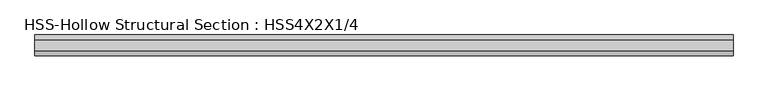
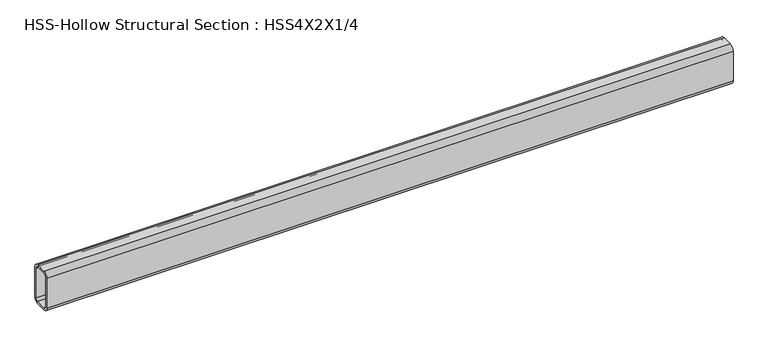
"""IFC4 building model written with IfcOpenShell, lengths in millimetres: beam geometry, HSS-Hollow Structural Section : HSS4X2X1/4."""

from ifc_helpers import new_model, si_unit, point, frame, frame_2d, origin, place, context, project, spatial, polyline, circle_curve, trimmed, segment, composite_curve, outline, extrude, source, transform, mapped, element, save


def hss_hollow_structural_section_hss4x2x1_4_a2298e92(model_context):
    return source(origin(), model_context, "Body", "SweptSolid", [
        extrude(outline(composite_curve([segment(polyline([(25.4, 38.9636), (25.4, -38.9636)]), True, "CONTINUOUS"), segment(trimmed(circle_curve(frame_2d((13.5636, -38.9636)), 11.8364), [point((25.4, -38.9636))], [point((13.5636, -50.8))], False, "CARTESIAN"), True, "CONTINUOUS"), segment(polyline([(13.5636, -50.8), (-13.5636, -50.8)]), True, "CONTINUOUS"), segment(trimmed(circle_curve(frame_2d((-13.5636, -38.9636)), 11.8364), [point((-13.5636, -50.8))], [point((-25.4, -38.9636))], False, "CARTESIAN"), True, "CONTINUOUS"), segment(polyline([(-25.4, -38.9636), (-25.4, 38.9636)]), True, "CONTINUOUS"), segment(trimmed(circle_curve(frame_2d((-13.5636, 38.9636)), 11.8364), [point((-25.4, 38.9636))], [point((-13.5636, 50.8))], False, "CARTESIAN"), True, "CONTINUOUS"), segment(polyline([(-13.5636, 50.8), (13.5636, 50.8)]), True, "CONTINUOUS"), segment(trimmed(circle_curve(frame_2d((13.5636, 38.9636)), 11.8364), [point((13.5636, 50.8))], [point((25.4, 38.9636))], False, "CARTESIAN"), True, "CONTINUOUS")], self_intersect=False), holes=[composite_curve([segment(trimmed(circle_curve(frame_2d((-13.5636, 38.9636)), 5.9182), [point((-13.5636, 44.8818))], [point((-19.4818, 38.9636))], True, "CARTESIAN"), True, "CONTINUOUS"), segment(polyline([(-19.4818, 38.9636), (-19.4818, -38.9636)]), True, "CONTINUOUS"), segment(trimmed(circle_curve(frame_2d((-13.5636, -38.9636)), 5.9182), [point((-19.4818, -38.9636))], [point((-13.5636, -44.8818))], True, "CARTESIAN"), True, "CONTINUOUS"), segment(polyline([(-13.5636, -44.8818), (13.5636, -44.8818)]), True, "CONTINUOUS"), segment(trimmed(circle_curve(frame_2d((13.5636, -38.9636)), 5.9182), [point((13.5636, -44.8818))], [point((19.4818, -38.9636))], True, "CARTESIAN"), True, "CONTINUOUS"), segment(polyline([(19.4818, -38.9636), (19.4818, 38.9636)]), True, "CONTINUOUS"), segment(trimmed(circle_curve(frame_2d((13.5636, 38.9636)), 5.9182), [point((19.4818, 38.9636))], [point((13.5636, 44.8818))], True, "CARTESIAN"), True, "CONTINUOUS"), segment(polyline([(13.5636, 44.8818), (-13.5636, 44.8818)]), True, "CONTINUOUS")], self_intersect=False)]), frame((-852.043, 0.0, 0.0), z_axis=(1.0, 0.0, 0.0), x_axis=(0.0, 1.0, 0.0)), (0.0, 0.0, 1.0), 1704.086),
    ])


if __name__ == "__main__":
    model = new_model("IFC4")
    model_context = context("Model", 3, world=origin())
    ifc_project = project(units=[si_unit("LENGTHUNIT", "METRE", prefix="MILLI")], contexts=[model_context])
    site = spatial("IfcSite", under=ifc_project)
    building = spatial("IfcBuilding", under=site)
    placement = place(None, origin())
    hss_hollow_structural_section_hss4x2x1_4_shape = hss_hollow_structural_section_hss4x2x1_4_a2298e92(model_context)
    element("IfcBeam", 1, ObjectType="HSS-Hollow Structural Section : HSS4X2X1/4", at=placement, inside=building, context=model_context, shape_type="MappedRepresentation", body=[
        mapped(hss_hollow_structural_section_hss4x2x1_4_shape, transform((0.0, 0.0, 0.0), x_axis=(1.0, 0.0, 0.0), y_axis=(0.0, 1.0, 0.0), z_axis=(0.0, 0.0, 1.0))),
    ])
    save(model, "model.ifc")
